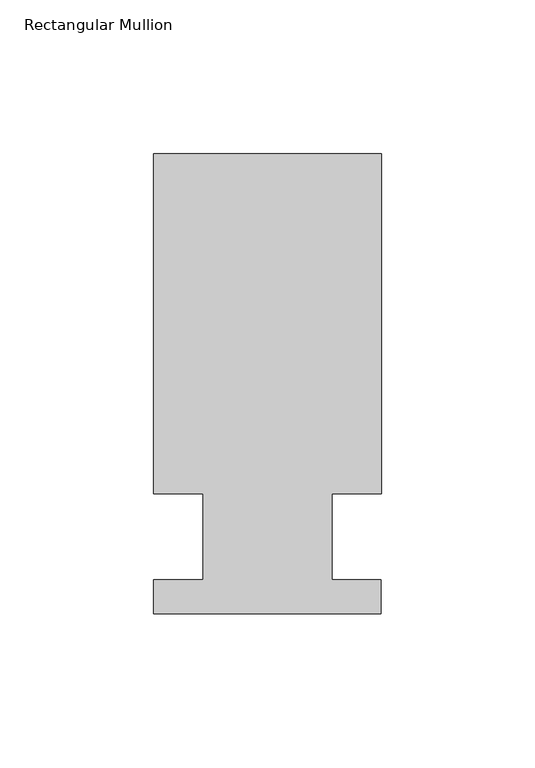
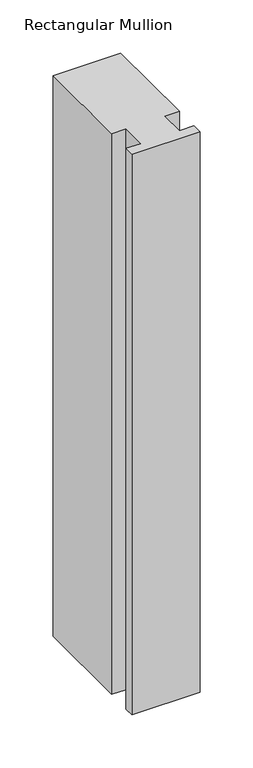
"""IFC4 building model written with IfcOpenShell, lengths in millimetres: member geometry, Rectangular Mullion."""

from ifc_helpers import new_model, si_unit, frame, origin, place, context, project, spatial, polyline, outline, extrude, source, transform, mapped, element, save


def rectangular_mullion_14ee1aff(model_context):
    return source(origin(), model_context, "Body", "SweptSolid", [
        extrude(outline(polyline([(-20.9800745, 13.9998907), (-37.0, 13.9998907), (-37.0, 124.5), (37.0, 124.5), (37.0, 13.9998907), (20.9800745, 13.9998907), (20.9800745, -14.0), (36.9800745, -14.0), (36.9800745, -25.0), (-37.0, -25.0), (-37.0, -14.0), (-20.9800745, -14.0), (-20.9800745, 13.9998907)])), frame((0.0, 0.0, -645.561551), z_axis=(0.0, 0.0, 1.0), x_axis=(1.0, 0.0, 0.0)), (0.0, 0.0, 1.0), 645.561551),
    ])


if __name__ == "__main__":
    model = new_model("IFC4")
    model_context = context("Model", 3, world=origin())
    ifc_project = project(units=[si_unit("LENGTHUNIT", "METRE", prefix="MILLI")], contexts=[model_context])
    site = spatial("IfcSite", under=ifc_project)
    building = spatial("IfcBuilding", under=site)
    placement = place(None, origin())
    rectangular_mullion_shape = rectangular_mullion_14ee1aff(model_context)
    element("IfcMember", 1, ObjectType="Rectangular Mullion", at=placement, inside=building, context=model_context, shape_type="MappedRepresentation", body=[
        mapped(rectangular_mullion_shape, transform((0.0, 0.0, 0.0), x_axis=(1.0, 0.0, 0.0), y_axis=(0.0, 1.0, 0.0), z_axis=(0.0, 0.0, 1.0))),
    ])
    save(model, "model.ifc")
